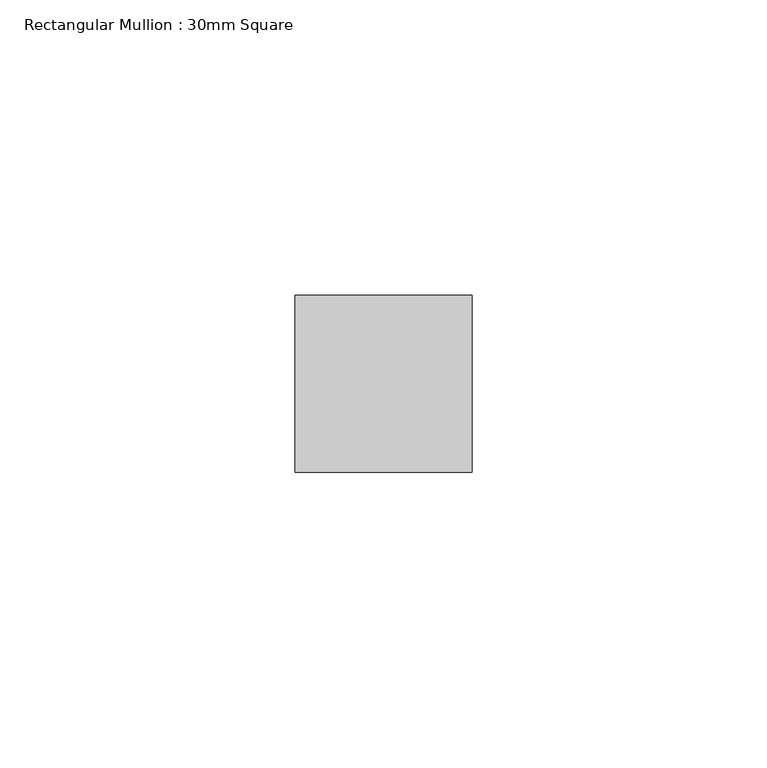
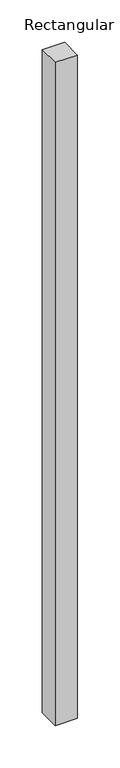
"""IFC4 building model written with IfcOpenShell, lengths in millimetres: member geometry, Rectangular Mullion : 30mm Square."""

from ifc_helpers import new_model, si_unit, frame, origin, place, context, project, spatial, polyline, outline, extrude, source, transform, mapped, element, save


def rectangular_mullion_30mm_square_a0a049c1(model_context):
    return source(origin(), model_context, "Body", "SweptSolid", [
        extrude(outline(polyline([(15.0, 15.0), (15.0, -15.0), (-15.0, -15.0), (-15.0, 15.0), (15.0, 15.0)])), frame((0.0, 0.0, -952.2613633), z_axis=(0.0, 0.0, 1.0), x_axis=(1.0, 0.0, 0.0)), (0.0, 0.0, 1.0), 952.2613633),
    ])


if __name__ == "__main__":
    model = new_model("IFC4")
    model_context = context("Model", 3, world=origin())
    ifc_project = project(units=[si_unit("LENGTHUNIT", "METRE", prefix="MILLI")], contexts=[model_context])
    site = spatial("IfcSite", under=ifc_project)
    building = spatial("IfcBuilding", under=site)
    placement = place(None, origin())
    rectangular_mullion_30mm_square_shape = rectangular_mullion_30mm_square_a0a049c1(model_context)
    element("IfcMember", 1, ObjectType="Rectangular Mullion : 30mm Square", at=placement, inside=building, context=model_context, shape_type="MappedRepresentation", body=[
        mapped(rectangular_mullion_30mm_square_shape, transform((0.0, 0.0, 0.0), x_axis=(1.0, 0.0, 0.0), y_axis=(0.0, 1.0, 0.0), z_axis=(0.0, 0.0, 1.0))),
    ])
    save(model, "model.ifc")
